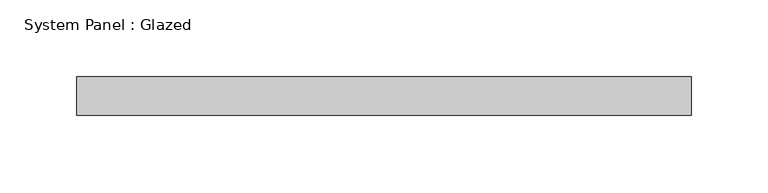
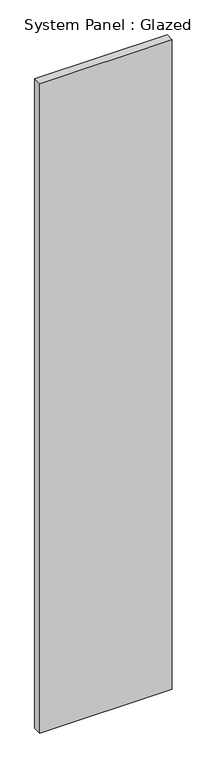
"""IFC4 building model written with IfcOpenShell, lengths in millimetres: plate geometry, System Panel : Glazed."""

from ifc_helpers import new_model, si_unit, origin, origin_with_axes, place, context, project, spatial, polyline, outline, extrude, source, transform, mapped, element, save


def system_panel_glazed_a18fb5ea(model_context):
    return source(origin(), model_context, "Body", "SweptSolid", [
        extrude(outline(polyline([(199.9999998, 24.5), (-199.9999998, 24.5), (-199.9999998, 49.5), (199.9999998, 49.5), (199.9999998, 24.5)])), origin_with_axes(), (0.0, 0.0, 1.0), 2070.0),
    ])


if __name__ == "__main__":
    model = new_model("IFC4")
    model_context = context("Model", 3, world=origin())
    ifc_project = project(units=[si_unit("LENGTHUNIT", "METRE", prefix="MILLI")], contexts=[model_context])
    site = spatial("IfcSite", under=ifc_project)
    building = spatial("IfcBuilding", under=site)
    placement = place(None, origin())
    system_panel_glazed_shape = system_panel_glazed_a18fb5ea(model_context)
    element("IfcPlate", 1, ObjectType="System Panel : Glazed", at=placement, inside=building, context=model_context, shape_type="MappedRepresentation", body=[
        mapped(system_panel_glazed_shape, transform((0.0, 0.0, 0.0), x_axis=(1.0, 0.0, 0.0), y_axis=(0.0, 1.0, 0.0), z_axis=(0.0, 0.0, 1.0))),
    ])
    save(model, "model.ifc")
